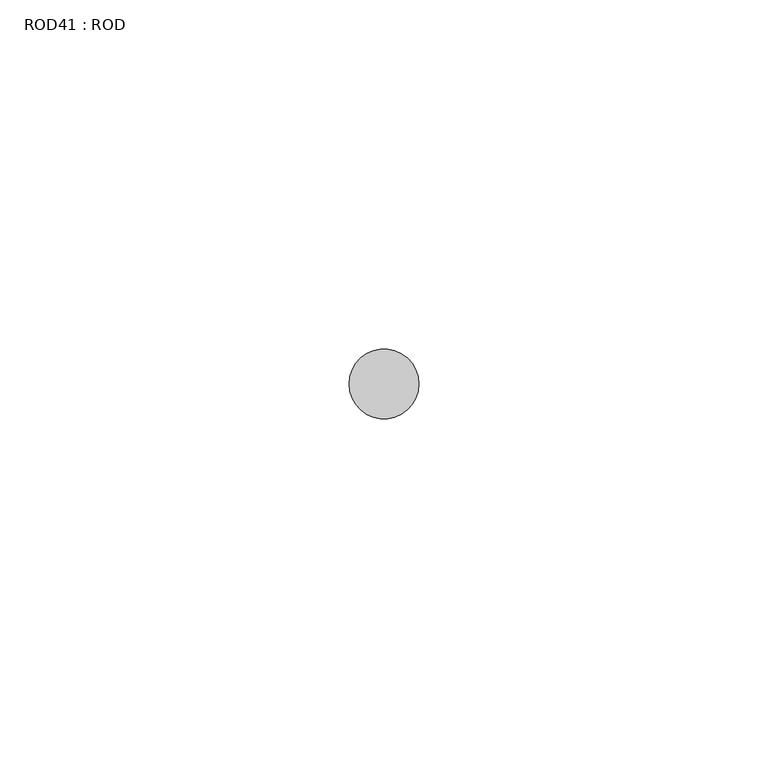
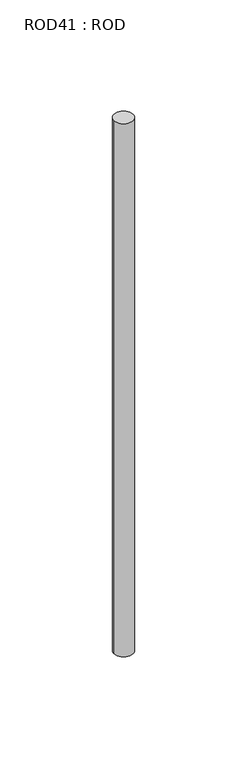
"""IFC4 building model written with IfcOpenShell, lengths in millimetres: proxy geometry, ROD41 : ROD."""

from ifc_helpers import new_model, si_unit, point, frame, frame_2d, origin, place, context, project, spatial, circle_curve, trimmed, segment, composite_curve, outline, extrude, source, transform, mapped, element, save


def rod41_rod_de35de0f(model_context):
    return source(origin(), model_context, "Body", "SweptSolid", [
        extrude(outline(composite_curve([segment(trimmed(circle_curve(frame_2d((8999.7673324, 833.3971576)), 5.0), [point((8994.7673324, 833.3971576))], [point((9004.7673324, 833.3971576))], False, "CARTESIAN"), True, "CONTINUOUS"), segment(trimmed(circle_curve(frame_2d((8999.7673324, 833.3971576)), 5.0), [point((9004.7673324, 833.3971576))], [point((8994.7673324, 833.3971576))], False, "CARTESIAN"), True, "CONTINUOUS")], self_intersect=False)), frame((0.0, 0.0, -108.6608845), z_axis=(0.0, 0.0, 1.0), x_axis=(1.0, 0.0, 0.0)), (0.0, 0.0, 1.0), 298.9028972),
    ])


if __name__ == "__main__":
    model = new_model("IFC4")
    model_context = context("Model", 3, world=origin())
    ifc_project = project(units=[si_unit("LENGTHUNIT", "METRE", prefix="MILLI")], contexts=[model_context])
    site = spatial("IfcSite", under=ifc_project)
    building = spatial("IfcBuilding", under=site)
    placement = place(None, origin())
    rod41_rod_shape = rod41_rod_de35de0f(model_context)
    element("IfcBuildingElementProxy", 1, Name="ROD41 : ROD", ObjectType="ROD41 : ROD", at=placement, inside=building, context=model_context, shape_type="MappedRepresentation", body=[
        mapped(rod41_rod_shape, transform((0.0, 0.0, 0.0), x_axis=(1.0, 0.0, 0.0), y_axis=(0.0, 1.0, 0.0), z_axis=(0.0, 0.0, 1.0))),
    ])
    save(model, "model.ifc")
